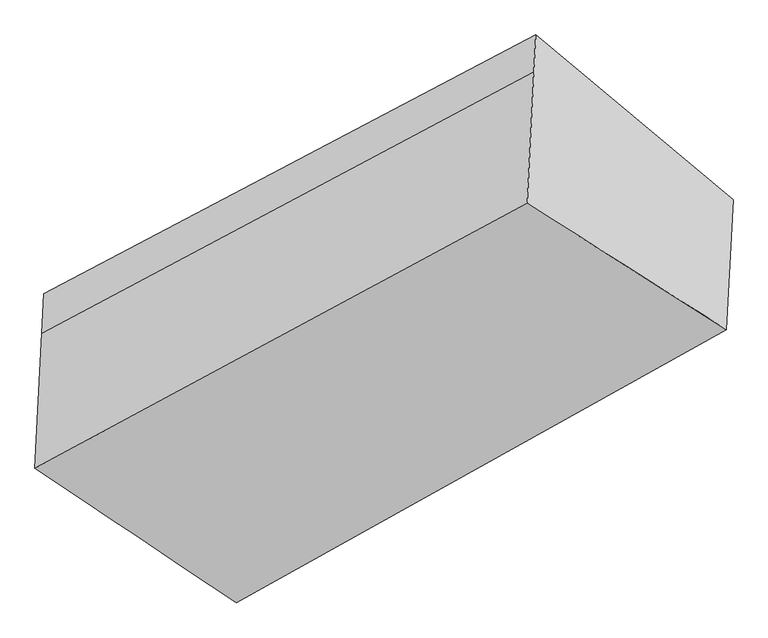
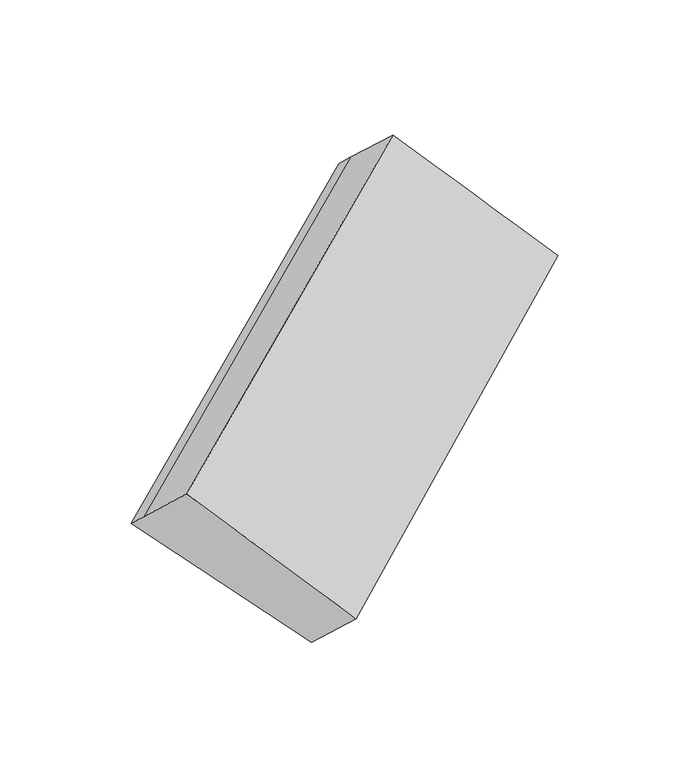
"""IFC4 building model written with IfcOpenShell, lengths in millimetres: proxy geometry."""

from ifc_helpers import new_model, si_unit, frame, origin, place, context, project, spatial, source, transform, mapped, element, save
from ifc_brep_helpers import plane_surface, spline_surface, advanced_brep


def generic_models_6ec315ad(model_context):
    return source(origin(), model_context, "Body", "AdvancedBrep", [
        advanced_brep(
        [(-3763.6026109, -1509.2269079, 1543.7010665), (-3769.2227372, -1619.5839812, 1645.1393756), (-2390.6766096, -887.6130561, 2472.8291624), (-2385.4311584, -784.613121, 2378.1534072), (-3204.9931225, -1984.5830955, 1057.4995297), (-1832.8753893, -1245.6115167, 1907.2366405), (-3224.8634522, -2374.7578572, 1416.1414083), (-1851.4253009, -1609.8584839, 2242.0461397), (-3788.5003822, -1998.1207595, 1993.0838217), (-2409.4674495, -1256.5909044, 2811.9872056)],
        [
            (0, 1),
            (1, 2),
            (2, 3),
            (3, 0),
            (4, 0),
            (0, 5),
            (5, 4),
            (6, 4),
            (5, 7),
            (7, 6),
            (8, 6),
            (7, 9),
            (9, 8),
            (1, 8),
            (9, 2),
            (5, 3),
        ],
        [
            plane_surface(frame((-3766.412674, -1564.4054446, 1594.4202211), z_axis=(-0.6249526457066961, 0.5453115154099724, 0.5586318481661072), x_axis=(-0.03746750844427507, -0.7357138219446119, 0.6762553940713747))),
            plane_surface(frame((-3484.2978667, -1746.9050017, 1300.6002981), z_axis=(0.028576951004503498, 0.7309597566275807, -0.6818219650775664), x_axis=(-0.6347835095114095, 0.5401774859446252, 0.5525017463600659))),
            plane_surface(frame((-3214.9282874, -2179.6704764, 1236.820469), z_axis=(0.6337651897714485, -0.5407158145872453, -0.5531438258619648), x_axis=(0.037467508444273635, 0.7357138219446144, -0.6762553940713719))),
            spline_surface(1, 1, [[(-3788.5003822, -1998.1207595, 1993.0838217), (-2409.4674495, -1256.5909044, 2811.9872056)], [(-3224.8634522, -2374.7578572, 1416.1414083), (-1851.4253009, -1609.8584839, 2242.0461397)]], [2, 2], [2, 2], [0.0, 1.0], [0.0, 1.0]),
            plane_surface(frame((-3778.8615597, -1808.8523704, 1819.1115986), z_axis=(-0.6249526457066961, 0.5453115154099716, 0.5586318481661077), x_axis=(-0.037467508444273843, -0.735713821944612, 0.6762553940713746))),
            plane_surface(frame((-2119.7998245, -1224.1685065, 2334.8558483), z_axis=(0.7653635186758392, 0.4139822574598002, 0.49278532322769747), x_axis=(0.037467508444273635, 0.7357138219446144, -0.6762553940713719))),
            plane_surface(frame((-3495.489892, -1966.672155, 1502.6064566), z_axis=(-0.7717811100716037, -0.4085749085274261, -0.48725810640609035), x_axis=(0.03746750844427428, 0.7357138219446123, -0.6762553940713742))),
            plane_surface(frame((-3763.6026109, -1509.2269079, 1543.7010665), z_axis=(0.028606139542586312, 0.7308728134768612, -0.6819139383389137), x_axis=(-0.6425067082070943, 0.5360446461892379, 0.5475776357748174))),
        ],
        [
            (0, [[1, 2, 3, 4]]),
            (1, [[5, 6, 7]]),
            (2, [[8, -7, 9, 10]]),
            (3, [[11, -10, 12, 13]]),
            (4, [[14, -13, 15, -2]]),
            (5, [[-9, 16, -3, -15, -12]]),
            (6, [[-1, -5, -8, -11, -14]]),
            (7, [[-16, -6, -4]]),
        ],
    ),
    ])


if __name__ == "__main__":
    model = new_model("IFC4")
    model_context = context("Model", 3, world=origin())
    ifc_project = project(units=[si_unit("LENGTHUNIT", "METRE", prefix="MILLI")], contexts=[model_context])
    site = spatial("IfcSite", under=ifc_project)
    building = spatial("IfcBuilding", under=site)
    placement = place(None, origin())
    generic_models_shape = generic_models_6ec315ad(model_context)
    element("IfcBuildingElementProxy", 1, Name="Generic Models", at=placement, inside=building, context=model_context, shape_type="MappedRepresentation", body=[
        mapped(generic_models_shape, transform((0.0, 0.0, 0.0), x_axis=(1.0, 0.0, 0.0), y_axis=(0.0, 1.0, 0.0), z_axis=(0.0, 0.0, 1.0))),
    ])
    save(model, "model.ifc")
